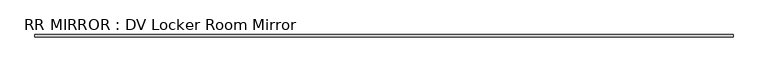
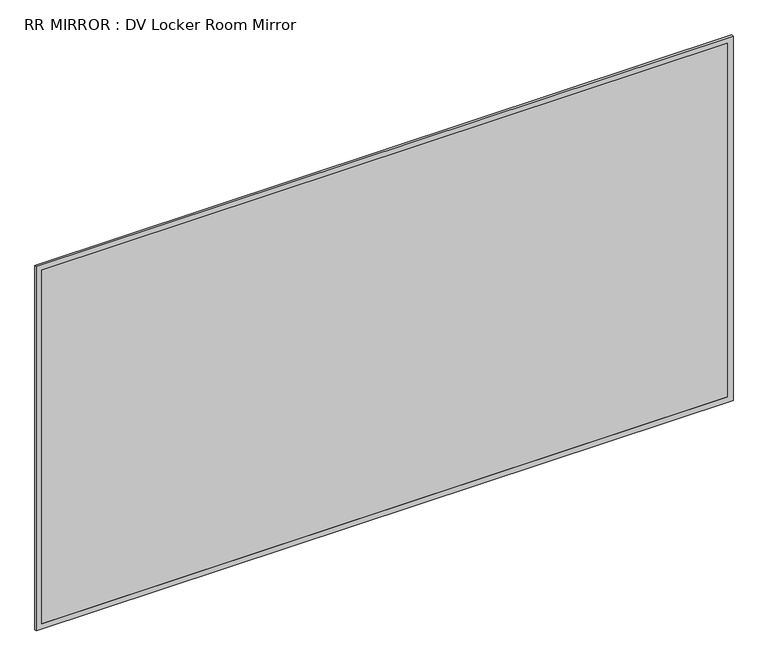
"""IFC4 building model written with IfcOpenShell, lengths in millimetres: proxy geometry, RR MIRROR : DV Locker Room Mirror."""

from ifc_helpers import new_model, si_unit, frame, origin, place, context, project, spatial, polyline, outline, extrude, source, transform, mapped, element, save


def rr_mirror_dv_locker_room_mirror_b68b1527(model_context):
    return source(origin(), model_context, "Body", "SweptSolid", [
        extrude(outline(polyline([(1536.7, 61.9125), (-1536.7, 61.9125), (-1536.7, 68.2625), (1536.7, 68.2625), (1536.7, 61.9125)])), frame((0.0, 0.0, 1041.4), z_axis=(0.0, 0.0, 1.0), x_axis=(1.0, 0.0, 0.0)), (0.0, 0.0, 1.0), 1676.4),
        extrude(outline(polyline([(2743.2, -1562.1), (1016.0, -1562.1), (1016.0, 1562.1), (2743.2, 1562.1), (2743.2, -1562.1)]), holes=[polyline([(2717.8, -1536.7), (2717.8, 1536.7), (1041.4, 1536.7), (1041.4, -1536.7), (2717.8, -1536.7)])]), frame((0.0, 61.9125, 0.0), z_axis=(0.0, 1.0, 0.0), x_axis=(0.0, 0.0, 1.0)), (0.0, 0.0, 1.0), 9.525),
    ])


if __name__ == "__main__":
    model = new_model("IFC4")
    model_context = context("Model", 3, world=origin())
    ifc_project = project(units=[si_unit("LENGTHUNIT", "METRE", prefix="MILLI")], contexts=[model_context])
    site = spatial("IfcSite", under=ifc_project)
    building = spatial("IfcBuilding", under=site)
    placement = place(None, origin())
    rr_mirror_dv_locker_room_mirror_shape = rr_mirror_dv_locker_room_mirror_b68b1527(model_context)
    element("IfcBuildingElementProxy", 1, Name="RR MIRROR : DV Locker Room Mirror", ObjectType="RR MIRROR : DV Locker Room Mirror", at=placement, inside=building, context=model_context, shape_type="MappedRepresentation", body=[
        mapped(rr_mirror_dv_locker_room_mirror_shape, transform((0.0, 0.0, 0.0), x_axis=(1.0, 0.0, 0.0), y_axis=(0.0, 1.0, 0.0), z_axis=(0.0, 0.0, 1.0))),
    ])
    save(model, "model.ifc")
